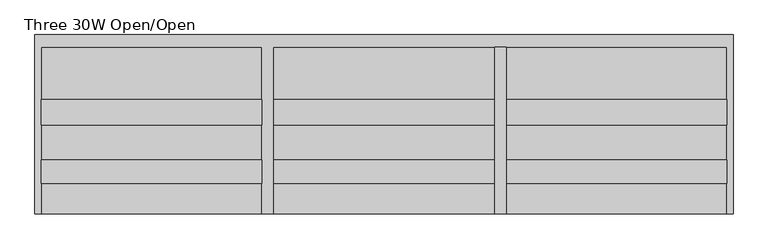
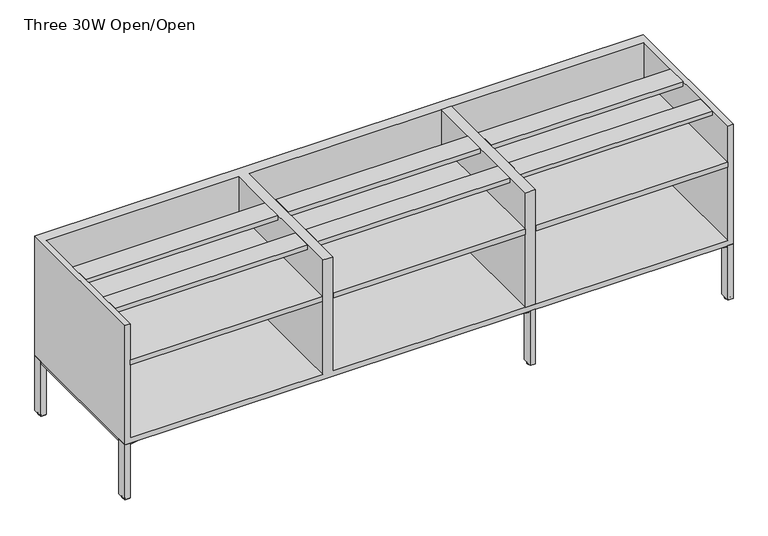
"""IFC4 building model written with IfcOpenShell, lengths in millimetres: furniture geometry, Three 30W Open/Open."""

from ifc_helpers import new_model, si_unit, point, frame, origin, place, context, project, spatial, polyline, circle_curve, ellipse_curve, trimmed, outline, extrude, faceted_brep, source, transform, mapped, element, save
from ifc_brep_helpers import plane_surface, cylinder_surface, revolved_surface, advanced_brep


def three_30w_open_open_3fbe948b(model_context):
    return source(origin(), model_context, "Body", "SolidModel", [
        advanced_brep(
        [(1516.3012235, 47.7027937, 0.0), (1516.3012235, 32.4345574, 0.0), (1516.3012235, 40.0686756, 0.0), (1516.3012235, 49.9748538, 2.2720601), (1516.3012235, 30.1624973, 2.2720601), (1516.3012235, 49.9748538, 3.8099903), (1516.3012235, 30.1624973, 3.8099903), (1516.3012235, 40.0686756, 3.8099903)],
        [
            (0, 1, circle_curve(frame((1516.3012235, 40.0686756, 0.0), z_axis=(0.0, 0.0, -1.0), x_axis=(0.0, -1.0, 0.0)), 7.6341181)),
            (1, 2),
            (2, 0),
            (1, 0, circle_curve(frame((1516.3012235, 40.0686756, 0.0), z_axis=(0.0, 0.0, -1.0), x_axis=(0.0, -1.0, 0.0)), 7.6341181)),
            (3, 4, circle_curve(frame((1516.3012235, 40.0686756, 2.2720601), z_axis=(0.0, 0.0, -1.0), x_axis=(0.0, -1.0, 0.0)), 9.9061783)),
            (4, 1, circle_curve(frame((1516.3012235, 32.4345574, 2.2720601), z_axis=(1.0, 0.0, 0.0), x_axis=(0.0, 1.0, 0.0)), 2.2720601)),
            (0, 3, circle_curve(frame((1516.3012235, 47.7027937, 2.2720601), z_axis=(1.0, 0.0, 0.0), x_axis=(0.0, -1.0, 0.0)), 2.2720601)),
            (4, 3, circle_curve(frame((1516.3012235, 40.0686756, 2.2720601), z_axis=(0.0, 0.0, -1.0), x_axis=(0.0, -1.0, 0.0)), 9.9061783)),
            (5, 6, circle_curve(frame((1516.3012235, 40.0686756, 3.8099903), z_axis=(0.0, 0.0, -1.0), x_axis=(0.0, -1.0, 0.0)), 9.9061783)),
            (6, 4),
            (3, 5),
            (6, 5, circle_curve(frame((1516.3012235, 40.0686756, 3.8099903), z_axis=(0.0, 0.0, -1.0), x_axis=(0.0, -1.0, 0.0)), 9.9061783)),
            (7, 6),
            (5, 7),
        ],
        [
            plane_surface(frame((1516.3012235, 40.0686756, 0.0), z_axis=(0.0, 0.0, -1.0), x_axis=(0.0, -1.0, 0.0))),
            revolved_surface(trimmed(ellipse_curve(frame((1516.3012235, 32.4345574, 2.2720601), z_axis=(-1.0, 0.0, 0.0), x_axis=(0.0, 1.0, 0.0)), 2.2720601, 2.2720601), [point((1516.3012235, 32.4345574, 0.0))], [point((1516.3012235, 30.1624973, 2.2720601))], True, "CARTESIAN"), (1516.3012235, 40.0686756, 7.1227407), (0.0, 0.0, 1.0)),
            cylinder_surface(frame((1516.3012235, 40.0686756, 7.1227407), z_axis=(0.0, 0.0, 1.0), x_axis=(0.0, -1.0, 0.0)), 9.9061783),
            plane_surface(frame((1516.3012235, 40.0686756, 3.8099903), z_axis=(0.0, 0.0, 1.0), x_axis=(0.0, -1.0, 0.0))),
        ],
        [
            (0, [[1, 2, 3]]),
            (0, [[4, -3, -2]]),
            (1, [[5, 6, -1, 7]]),
            (1, [[8, -7, -4, -6]]),
            (2, [[9, 10, -5, 11]]),
            (2, [[12, -11, -8, -10]]),
            (3, [[13, -9, 14]]),
            (3, [[-14, -12, -13]]),
        ],
    ),
        extrude(outline(polyline([(1508.1085671, 22.0247188), (1508.1085671, 58.1123416), (1524.3645213, 58.1123416), (1524.3645213, 22.0247188), (1508.1085671, 22.0247188)]), holes=[polyline([(1509.3785598, 23.2946994), (1523.0945225, 23.2946994), (1523.0945225, 56.842361), (1509.3785598, 56.842361), (1509.3785598, 23.2946994)])]), frame((0.0, 0.0, 3.8099903), z_axis=(0.0, 0.0, 1.0), x_axis=(1.0, 0.0, 0.0)), (0.0, 0.0, 1.0), 1.5750008),
        extrude(outline(polyline([(1420.1940587, 43.672924), (1422.623104, 56.1692787), (1388.4910372, 62.8038804), (1388.4910372, 156.9726182), (1523.8371748, 140.3902326), (1523.8371748, 59.8805477), (1506.4067209, 59.8805477), (1506.4067209, 26.9148801), (1420.1940587, 43.672924)])), frame((0.0, 0.0, 211.9174185), z_axis=(0.0, 0.0, 1.0), x_axis=(1.0, 0.0, 0.0)), (0.0, 0.0, 1.0), 10.7575071),
        extrude(outline(polyline([(1506.4067209, 20.2565128), (1506.4067209, 59.8805477), (1526.2230985, 59.8805477), (1526.2230985, 20.2565128), (1506.4067209, 20.2565128)])), frame((0.0, 0.0, 5.3850274), z_axis=(0.0, 0.0, 1.0), x_axis=(1.0, 0.0, 0.0)), (0.0, 0.0, 1.0), 217.2898982),
        advanced_brep(
        [(1516.3012235, 579.37554, 0.0), (1516.3012235, 587.0096581, 0.0), (1516.3012235, 594.6437763, 0.0), (1516.3012235, 577.1034799, 2.2720601), (1516.3012235, 596.9158364, 2.2720601), (1516.3012235, 577.1034799, 3.8099903), (1516.3012235, 596.9158364, 3.8099903), (1516.3012235, 587.0096581, 3.8099903)],
        [
            (0, 1),
            (1, 2),
            (2, 0, circle_curve(frame((1516.3012235, 587.0096581, 0.0), z_axis=(0.0, 0.0, -1.0), x_axis=(0.0, 1.0, 0.0)), 7.6341181)),
            (0, 2, circle_curve(frame((1516.3012235, 587.0096581, 0.0), z_axis=(0.0, 0.0, -1.0), x_axis=(0.0, 1.0, 0.0)), 7.6341181)),
            (3, 0, circle_curve(frame((1516.3012235, 579.37554, 2.2720601), z_axis=(1.0, 0.0, 0.0), x_axis=(0.0, 1.0, 0.0)), 2.2720601)),
            (2, 4, circle_curve(frame((1516.3012235, 594.6437763, 2.2720601), z_axis=(1.0, 0.0, 0.0), x_axis=(0.0, -1.0, 0.0)), 2.2720601)),
            (4, 3, circle_curve(frame((1516.3012235, 587.0096581, 2.2720601), z_axis=(0.0, 0.0, -1.0), x_axis=(0.0, 1.0, 0.0)), 9.9061783)),
            (3, 4, circle_curve(frame((1516.3012235, 587.0096581, 2.2720601), z_axis=(0.0, 0.0, -1.0), x_axis=(0.0, 1.0, 0.0)), 9.9061783)),
            (5, 3),
            (4, 6),
            (6, 5, circle_curve(frame((1516.3012235, 587.0096581, 3.8099903), z_axis=(0.0, 0.0, -1.0), x_axis=(0.0, 1.0, 0.0)), 9.9061783)),
            (5, 6, circle_curve(frame((1516.3012235, 587.0096581, 3.8099903), z_axis=(0.0, 0.0, -1.0), x_axis=(0.0, 1.0, 0.0)), 9.9061783)),
            (7, 5),
            (6, 7),
        ],
        [
            plane_surface(frame((1516.3012235, 587.0096581, 0.0), z_axis=(0.0, 0.0, -1.0), x_axis=(0.0, 1.0, 0.0))),
            revolved_surface(trimmed(ellipse_curve(frame((1516.3012235, 594.6437763, 2.2720601), z_axis=(1.0, 0.0, 0.0), x_axis=(0.0, -1.0, 0.0)), 2.2720601, 2.2720601), [point((1516.3012235, 594.6437763, 0.0))], [point((1516.3012235, 596.9158364, 2.2720601))], True, "CARTESIAN"), (1516.3012235, 587.0096581, 7.1227407), (0.0, 0.0, 1.0)),
            cylinder_surface(frame((1516.3012235, 587.0096581, 7.1227407), z_axis=(0.0, 0.0, 1.0), x_axis=(0.0, 1.0, 0.0)), 9.9061783),
            plane_surface(frame((1516.3012235, 587.0096581, 3.8099903), z_axis=(0.0, 0.0, 1.0), x_axis=(0.0, 1.0, 0.0))),
        ],
        [
            (0, [[1, 2, 3]]),
            (0, [[-2, -1, 4]]),
            (1, [[5, -3, 6, 7]]),
            (1, [[-6, -4, -5, 8]]),
            (2, [[9, -7, 10, 11]]),
            (2, [[-10, -8, -9, 12]]),
            (3, [[13, -11, 14]]),
            (3, [[-14, -12, -13]]),
        ],
    ),
        extrude(outline(polyline([(1508.1085671, 605.0536149), (1524.3645213, 605.0536149), (1524.3645213, 568.9659921), (1508.1085671, 568.9659921), (1508.1085671, 605.0536149)]), holes=[polyline([(1509.3785598, 603.7836343), (1509.3785598, 570.2359727), (1523.0945225, 570.2359727), (1523.0945225, 603.7836343), (1509.3785598, 603.7836343)])]), frame((0.0, 0.0, 3.8099903), z_axis=(0.0, 0.0, 1.0), x_axis=(1.0, 0.0, 0.0)), (0.0, 0.0, 1.0), 1.5750008),
        extrude(outline(polyline([(1420.1940587, 583.4054097), (1506.4067209, 600.1634536), (1506.4067209, 567.197786), (1523.8371748, 567.197786), (1523.8371748, 486.6881011), (1388.4910372, 470.1057155), (1388.4910372, 564.2744533), (1422.623104, 570.909055), (1420.1940587, 583.4054097)])), frame((0.0, 0.0, 211.9174185), z_axis=(0.0, 0.0, 1.0), x_axis=(1.0, 0.0, 0.0)), (0.0, 0.0, 1.0), 10.7575071),
        extrude(outline(polyline([(1506.4067209, 606.8218209), (1526.2230985, 606.8218209), (1526.2230985, 567.197786), (1506.4067209, 567.197786), (1506.4067209, 606.8218209)])), frame((0.0, 0.0, 5.3850274), z_axis=(0.0, 0.0, 1.0), x_axis=(1.0, 0.0, 0.0)), (0.0, 0.0, 1.0), 217.2898982),
        extrude(outline(polyline([(2249.4879219, 566.5293675), (2249.4879219, 20.2565128), (1527.7255589, 20.2565128), (1527.7255589, 566.5293675), (2249.4879219, 566.5293675)])), frame((0.0, 0.0, 533.8249256), z_axis=(0.0, 0.0, 1.0), x_axis=(1.0, 0.0, 0.0)), (0.0, 0.0, 1.0), 20.4326556),
        extrude(outline(polyline([(2249.4879219, 393.7476878), (2249.4879219, 311.6469094), (1527.7255589, 311.6469094), (1527.7255589, 393.7476878), (2249.4879219, 393.7476878)])), frame((0.0, 0.0, 680.533461), z_axis=(0.0, 0.0, 1.0), x_axis=(1.0, 0.0, 0.0)), (0.0, 0.0, 1.0), 17.4584819),
        extrude(outline(polyline([(2249.4879219, 196.8653932), (2249.4879219, 119.6379172), (1527.7255589, 119.6379172), (1527.7255589, 196.8653932), (2249.4879219, 196.8653932)])), frame((0.0, 0.0, 680.533461), z_axis=(0.0, 0.0, 1.0), x_axis=(1.0, 0.0, 0.0)), (0.0, 0.0, 1.0), 17.4584819),
        extrude(outline(polyline([(1487.4879219, 566.5293675), (1487.4879219, 20.2565128), (765.7255589, 20.2565128), (765.7255589, 566.5293675), (1487.4879219, 566.5293675)])), frame((0.0, 0.0, 533.8249256), z_axis=(0.0, 0.0, 1.0), x_axis=(1.0, 0.0, 0.0)), (0.0, 0.0, 1.0), 20.4326556),
        extrude(outline(polyline([(1487.4879219, 393.7476878), (1487.4879219, 311.6469094), (765.7255589, 311.6469094), (765.7255589, 393.7476878), (1487.4879219, 393.7476878)])), frame((0.0, 0.0, 680.533461), z_axis=(0.0, 0.0, 1.0), x_axis=(1.0, 0.0, 0.0)), (0.0, 0.0, 1.0), 17.4584819),
        extrude(outline(polyline([(1487.4879219, 196.8653932), (1487.4879219, 119.6379172), (765.7255589, 119.6379172), (765.7255589, 196.8653932), (1487.4879219, 196.8653932)])), frame((0.0, 0.0, 680.533461), z_axis=(0.0, 0.0, 1.0), x_axis=(1.0, 0.0, 0.0)), (0.0, 0.0, 1.0), 17.4584819),
        extrude(outline(polyline([(725.4879219, 566.5293675), (725.4879219, 20.2565128), (3.7255589, 20.2565128), (3.7255589, 566.5293675), (725.4879219, 566.5293675)])), frame((0.0, 0.0, 533.8249256), z_axis=(0.0, 0.0, 1.0), x_axis=(1.0, 0.0, 0.0)), (0.0, 0.0, 1.0), 20.4326556),
        extrude(outline(polyline([(725.4879219, 393.7476878), (725.4879219, 311.6469094), (3.7255589, 311.6469094), (3.7255589, 393.7476878), (725.4879219, 393.7476878)])), frame((0.0, 0.0, 680.533461), z_axis=(0.0, 0.0, 1.0), x_axis=(1.0, 0.0, 0.0)), (0.0, 0.0, 1.0), 17.4584819),
        extrude(outline(polyline([(725.4879219, 196.8653932), (725.4879219, 119.6379172), (3.7255589, 119.6379172), (3.7255589, 196.8653932), (725.4879219, 196.8653932)])), frame((0.0, 0.0, 680.533461), z_axis=(0.0, 0.0, 1.0), x_axis=(1.0, 0.0, 0.0)), (0.0, 0.0, 1.0), 17.4584819),
        advanced_brep(
        [(2259.6320469, 47.7027937, 0.0), (2259.6320469, 32.4345574, 0.0), (2259.6320469, 40.0686756, 0.0), (2259.6320469, 49.9748538, 2.2720601), (2259.6320469, 30.1624973, 2.2720601), (2259.6320469, 49.9748538, 3.8099903), (2259.6320469, 30.1624973, 3.8099903), (2259.6320469, 40.0686756, 3.8099903)],
        [
            (0, 1, circle_curve(frame((2259.6320469, 40.0686756, 0.0), z_axis=(0.0, 0.0, -1.0), x_axis=(0.0, -1.0, 0.0)), 7.6341181)),
            (1, 2),
            (2, 0),
            (1, 0, circle_curve(frame((2259.6320469, 40.0686756, 0.0), z_axis=(0.0, 0.0, -1.0), x_axis=(0.0, -1.0, 0.0)), 7.6341181)),
            (3, 4, circle_curve(frame((2259.6320469, 40.0686756, 2.2720601), z_axis=(0.0, 0.0, -1.0), x_axis=(0.0, -1.0, 0.0)), 9.9061783)),
            (4, 1, circle_curve(frame((2259.6320469, 32.4345574, 2.2720601), z_axis=(1.0, 0.0, 0.0), x_axis=(0.0, 1.0, 0.0)), 2.2720601)),
            (0, 3, circle_curve(frame((2259.6320469, 47.7027937, 2.2720601), z_axis=(1.0, 0.0, 0.0), x_axis=(0.0, -1.0, 0.0)), 2.2720601)),
            (4, 3, circle_curve(frame((2259.6320469, 40.0686756, 2.2720601), z_axis=(0.0, 0.0, -1.0), x_axis=(0.0, -1.0, 0.0)), 9.9061783)),
            (5, 6, circle_curve(frame((2259.6320469, 40.0686756, 3.8099903), z_axis=(0.0, 0.0, -1.0), x_axis=(0.0, -1.0, 0.0)), 9.9061783)),
            (6, 4),
            (3, 5),
            (6, 5, circle_curve(frame((2259.6320469, 40.0686756, 3.8099903), z_axis=(0.0, 0.0, -1.0), x_axis=(0.0, -1.0, 0.0)), 9.9061783)),
            (7, 6),
            (5, 7),
        ],
        [
            plane_surface(frame((2259.6320469, 40.0686756, 0.0), z_axis=(0.0, 0.0, -1.0), x_axis=(0.0, -1.0, 0.0))),
            revolved_surface(trimmed(ellipse_curve(frame((2259.6320469, 32.4345574, 2.2720601), z_axis=(-1.0, 0.0, 0.0), x_axis=(0.0, 1.0, 0.0)), 2.2720601, 2.2720601), [point((2259.6320469, 32.4345574, 0.0))], [point((2259.6320469, 30.1624973, 2.2720601))], True, "CARTESIAN"), (2259.6320469, 40.0686756, 7.1227407), (0.0, 0.0, 1.0)),
            cylinder_surface(frame((2259.6320469, 40.0686756, 7.1227407), z_axis=(0.0, 0.0, 1.0), x_axis=(0.0, -1.0, 0.0)), 9.9061783),
            plane_surface(frame((2259.6320469, 40.0686756, 3.8099903), z_axis=(0.0, 0.0, 1.0), x_axis=(0.0, -1.0, 0.0))),
        ],
        [
            (0, [[1, 2, 3]]),
            (0, [[4, -3, -2]]),
            (1, [[5, 6, -1, 7]]),
            (1, [[8, -7, -4, -6]]),
            (2, [[9, 10, -5, 11]]),
            (2, [[12, -11, -8, -10]]),
            (3, [[13, -9, 14]]),
            (3, [[-14, -12, -13]]),
        ],
    ),
        extrude(outline(polyline([(2251.4393905, 22.0247188), (2251.4393905, 58.1123416), (2267.6953447, 58.1123416), (2267.6953447, 22.0247188), (2251.4393905, 22.0247188)]), holes=[polyline([(2252.7093832, 23.2946994), (2266.4253459, 23.2946994), (2266.4253459, 56.842361), (2252.7093832, 56.842361), (2252.7093832, 23.2946994)])]), frame((0.0, 0.0, 3.8099903), z_axis=(0.0, 0.0, 1.0), x_axis=(1.0, 0.0, 0.0)), (0.0, 0.0, 1.0), 1.5750008),
        extrude(outline(polyline([(2163.5248821, 43.672924), (2165.9539274, 56.1692787), (2131.8218606, 62.8038804), (2131.8218606, 156.9726182), (2267.1679982, 140.3902326), (2267.1679982, 59.8805477), (2249.7375443, 59.8805477), (2249.7375443, 26.9148801), (2163.5248821, 43.672924)])), frame((0.0, 0.0, 211.9174185), z_axis=(0.0, 0.0, 1.0), x_axis=(1.0, 0.0, 0.0)), (0.0, 0.0, 1.0), 10.7575071),
        extrude(outline(polyline([(2249.7375443, 20.2565128), (2249.7375443, 59.8805477), (2269.5539219, 59.8805477), (2269.5539219, 20.2565128), (2249.7375443, 20.2565128)])), frame((0.0, 0.0, 5.3850274), z_axis=(0.0, 0.0, 1.0), x_axis=(1.0, 0.0, 0.0)), (0.0, 0.0, 1.0), 217.2898982),
        advanced_brep(
        [(-6.5242031, 47.7027937, 0.0), (-6.5242031, 40.0686756, 0.0), (-6.5242031, 32.4345574, 0.0), (-6.5242031, 49.9748538, 2.2720601), (-6.5242031, 30.1624973, 2.2720601), (-6.5242031, 49.9748538, 3.8099903), (-6.5242031, 30.1624973, 3.8099903), (-6.5242031, 40.0686756, 3.8099903)],
        [
            (0, 1),
            (1, 2),
            (2, 0, circle_curve(frame((-6.5242031, 40.0686756, 0.0), z_axis=(0.0, 0.0, -1.0), x_axis=(0.0, -1.0, 0.0)), 7.6341181)),
            (0, 2, circle_curve(frame((-6.5242031, 40.0686756, 0.0), z_axis=(0.0, 0.0, -1.0), x_axis=(0.0, -1.0, 0.0)), 7.6341181)),
            (3, 0, circle_curve(frame((-6.5242031, 47.7027937, 2.2720601), z_axis=(-1.0, 0.0, 0.0), x_axis=(0.0, -1.0, 0.0)), 2.2720601)),
            (2, 4, circle_curve(frame((-6.5242031, 32.4345574, 2.2720601), z_axis=(-1.0, 0.0, 0.0), x_axis=(0.0, 1.0, 0.0)), 2.2720601)),
            (4, 3, circle_curve(frame((-6.5242031, 40.0686756, 2.2720601), z_axis=(0.0, 0.0, -1.0), x_axis=(0.0, -1.0, 0.0)), 9.9061783)),
            (3, 4, circle_curve(frame((-6.5242031, 40.0686756, 2.2720601), z_axis=(0.0, 0.0, -1.0), x_axis=(0.0, -1.0, 0.0)), 9.9061783)),
            (5, 3),
            (4, 6),
            (6, 5, circle_curve(frame((-6.5242031, 40.0686756, 3.8099903), z_axis=(0.0, 0.0, -1.0), x_axis=(0.0, -1.0, 0.0)), 9.9061783)),
            (5, 6, circle_curve(frame((-6.5242031, 40.0686756, 3.8099903), z_axis=(0.0, 0.0, -1.0), x_axis=(0.0, -1.0, 0.0)), 9.9061783)),
            (7, 5),
            (6, 7),
        ],
        [
            plane_surface(frame((-6.5242031, 40.0686756, 0.0), z_axis=(0.0, 0.0, -1.0), x_axis=(0.0, -1.0, 0.0))),
            revolved_surface(trimmed(ellipse_curve(frame((-6.5242031, 32.4345574, 2.2720601), z_axis=(-1.0, 0.0, 0.0), x_axis=(0.0, 1.0, 0.0)), 2.2720601, 2.2720601), [point((-6.5242031, 32.4345574, 0.0))], [point((-6.5242031, 30.1624973, 2.2720601))], True, "CARTESIAN"), (-6.5242031, 40.0686756, 7.1227407), (0.0, 0.0, 1.0)),
            cylinder_surface(frame((-6.5242031, 40.0686756, 7.1227407), z_axis=(0.0, 0.0, 1.0), x_axis=(0.0, -1.0, 0.0)), 9.9061783),
            plane_surface(frame((-6.5242031, 40.0686756, 3.8099903), z_axis=(0.0, 0.0, 1.0), x_axis=(0.0, -1.0, 0.0))),
        ],
        [
            (0, [[1, 2, 3]]),
            (0, [[-2, -1, 4]]),
            (1, [[5, -3, 6, 7]]),
            (1, [[-6, -4, -5, 8]]),
            (2, [[9, -7, 10, 11]]),
            (2, [[-10, -8, -9, 12]]),
            (3, [[13, -11, 14]]),
            (3, [[-14, -12, -13]]),
        ],
    ),
        extrude(outline(polyline([(1.6684533, 22.0247188), (-14.5875009, 22.0247188), (-14.5875009, 58.1123416), (1.6684533, 58.1123416), (1.6684533, 22.0247188)]), holes=[polyline([(0.3984606, 23.2946994), (0.3984606, 56.842361), (-13.3175021, 56.842361), (-13.3175021, 23.2946994), (0.3984606, 23.2946994)])]), frame((0.0, 0.0, 3.8099903), z_axis=(0.0, 0.0, 1.0), x_axis=(1.0, 0.0, 0.0)), (0.0, 0.0, 1.0), 1.5750008),
        extrude(outline(polyline([(89.5829617, 43.672924), (3.3702996, 26.9148801), (3.3702996, 59.8805477), (-14.0601544, 59.8805477), (-14.0601544, 140.3902326), (121.2859833, 156.9726182), (121.2859833, 62.8038804), (87.1539164, 56.1692787), (89.5829617, 43.672924)])), frame((0.0, 0.0, 211.9174185), z_axis=(0.0, 0.0, 1.0), x_axis=(1.0, 0.0, 0.0)), (0.0, 0.0, 1.0), 10.7575071),
        extrude(outline(polyline([(3.3702996, 20.2565128), (-16.4460781, 20.2565128), (-16.4460781, 59.8805477), (3.3702996, 59.8805477), (3.3702996, 20.2565128)])), frame((0.0, 0.0, 5.3850274), z_axis=(0.0, 0.0, 1.0), x_axis=(1.0, 0.0, 0.0)), (0.0, 0.0, 1.0), 217.2898982),
        advanced_brep(
        [(2259.6320469, 579.37554, 0.0), (2259.6320469, 587.0096581, 0.0), (2259.6320469, 594.6437763, 0.0), (2259.6320469, 577.1034799, 2.2720601), (2259.6320469, 596.9158364, 2.2720601), (2259.6320469, 577.1034799, 3.8099903), (2259.6320469, 596.9158364, 3.8099903), (2259.6320469, 587.0096581, 3.8099903)],
        [
            (0, 1),
            (1, 2),
            (2, 0, circle_curve(frame((2259.6320469, 587.0096581, 0.0), z_axis=(0.0, 0.0, -1.0), x_axis=(0.0, 1.0, 0.0)), 7.6341181)),
            (0, 2, circle_curve(frame((2259.6320469, 587.0096581, 0.0), z_axis=(0.0, 0.0, -1.0), x_axis=(0.0, 1.0, 0.0)), 7.6341181)),
            (3, 0, circle_curve(frame((2259.6320469, 579.37554, 2.2720601), z_axis=(1.0, 0.0, 0.0), x_axis=(0.0, 1.0, 0.0)), 2.2720601)),
            (2, 4, circle_curve(frame((2259.6320469, 594.6437763, 2.2720601), z_axis=(1.0, 0.0, 0.0), x_axis=(0.0, -1.0, 0.0)), 2.2720601)),
            (4, 3, circle_curve(frame((2259.6320469, 587.0096581, 2.2720601), z_axis=(0.0, 0.0, -1.0), x_axis=(0.0, 1.0, 0.0)), 9.9061783)),
            (3, 4, circle_curve(frame((2259.6320469, 587.0096581, 2.2720601), z_axis=(0.0, 0.0, -1.0), x_axis=(0.0, 1.0, 0.0)), 9.9061783)),
            (5, 3),
            (4, 6),
            (6, 5, circle_curve(frame((2259.6320469, 587.0096581, 3.8099903), z_axis=(0.0, 0.0, -1.0), x_axis=(0.0, 1.0, 0.0)), 9.9061783)),
            (5, 6, circle_curve(frame((2259.6320469, 587.0096581, 3.8099903), z_axis=(0.0, 0.0, -1.0), x_axis=(0.0, 1.0, 0.0)), 9.9061783)),
            (7, 5),
            (6, 7),
        ],
        [
            plane_surface(frame((2259.6320469, 587.0096581, 0.0), z_axis=(0.0, 0.0, -1.0), x_axis=(0.0, 1.0, 0.0))),
            revolved_surface(trimmed(ellipse_curve(frame((2259.6320469, 594.6437763, 2.2720601), z_axis=(1.0, 0.0, 0.0), x_axis=(0.0, -1.0, 0.0)), 2.2720601, 2.2720601), [point((2259.6320469, 594.6437763, 0.0))], [point((2259.6320469, 596.9158364, 2.2720601))], True, "CARTESIAN"), (2259.6320469, 587.0096581, 7.1227407), (0.0, 0.0, 1.0)),
            cylinder_surface(frame((2259.6320469, 587.0096581, 7.1227407), z_axis=(0.0, 0.0, 1.0), x_axis=(0.0, 1.0, 0.0)), 9.9061783),
            plane_surface(frame((2259.6320469, 587.0096581, 3.8099903), z_axis=(0.0, 0.0, 1.0), x_axis=(0.0, 1.0, 0.0))),
        ],
        [
            (0, [[1, 2, 3]]),
            (0, [[-2, -1, 4]]),
            (1, [[5, -3, 6, 7]]),
            (1, [[-6, -4, -5, 8]]),
            (2, [[9, -7, 10, 11]]),
            (2, [[-10, -8, -9, 12]]),
            (3, [[13, -11, 14]]),
            (3, [[-14, -12, -13]]),
        ],
    ),
        extrude(outline(polyline([(2251.4393905, 605.0536149), (2267.6953447, 605.0536149), (2267.6953447, 568.9659921), (2251.4393905, 568.9659921), (2251.4393905, 605.0536149)]), holes=[polyline([(2252.7093832, 603.7836343), (2252.7093832, 570.2359727), (2266.4253459, 570.2359727), (2266.4253459, 603.7836343), (2252.7093832, 603.7836343)])]), frame((0.0, 0.0, 3.8099903), z_axis=(0.0, 0.0, 1.0), x_axis=(1.0, 0.0, 0.0)), (0.0, 0.0, 1.0), 1.5750008),
        extrude(outline(polyline([(2163.5248821, 583.4054097), (2249.7375443, 600.1634536), (2249.7375443, 567.197786), (2267.1679982, 567.197786), (2267.1679982, 486.6881011), (2131.8218606, 470.1057155), (2131.8218606, 564.2744533), (2165.9539274, 570.909055), (2163.5248821, 583.4054097)])), frame((0.0, 0.0, 211.9174185), z_axis=(0.0, 0.0, 1.0), x_axis=(1.0, 0.0, 0.0)), (0.0, 0.0, 1.0), 10.7575071),
        extrude(outline(polyline([(2249.7375443, 606.8218209), (2269.5539219, 606.8218209), (2269.5539219, 567.197786), (2249.7375443, 567.197786), (2249.7375443, 606.8218209)])), frame((0.0, 0.0, 5.3850274), z_axis=(0.0, 0.0, 1.0), x_axis=(1.0, 0.0, 0.0)), (0.0, 0.0, 1.0), 217.2898982),
        advanced_brep(
        [(-6.5242031, 579.37554, 0.0), (-6.5242031, 594.6437763, 0.0), (-6.5242031, 587.0096581, 0.0), (-6.5242031, 577.1034799, 2.2720601), (-6.5242031, 596.9158364, 2.2720601), (-6.5242031, 577.1034799, 3.8099903), (-6.5242031, 596.9158364, 3.8099903), (-6.5242031, 587.0096581, 3.8099903)],
        [
            (0, 1, circle_curve(frame((-6.5242031, 587.0096581, 0.0), z_axis=(0.0, 0.0, -1.0), x_axis=(0.0, 1.0, 0.0)), 7.6341181)),
            (1, 2),
            (2, 0),
            (1, 0, circle_curve(frame((-6.5242031, 587.0096581, 0.0), z_axis=(0.0, 0.0, -1.0), x_axis=(0.0, 1.0, 0.0)), 7.6341181)),
            (3, 4, circle_curve(frame((-6.5242031, 587.0096581, 2.2720601), z_axis=(0.0, 0.0, -1.0), x_axis=(0.0, 1.0, 0.0)), 9.9061783)),
            (4, 1, circle_curve(frame((-6.5242031, 594.6437763, 2.2720601), z_axis=(-1.0, 0.0, 0.0), x_axis=(0.0, -1.0, 0.0)), 2.2720601)),
            (0, 3, circle_curve(frame((-6.5242031, 579.37554, 2.2720601), z_axis=(-1.0, 0.0, 0.0), x_axis=(0.0, 1.0, 0.0)), 2.2720601)),
            (4, 3, circle_curve(frame((-6.5242031, 587.0096581, 2.2720601), z_axis=(0.0, 0.0, -1.0), x_axis=(0.0, 1.0, 0.0)), 9.9061783)),
            (5, 6, circle_curve(frame((-6.5242031, 587.0096581, 3.8099903), z_axis=(0.0, 0.0, -1.0), x_axis=(0.0, 1.0, 0.0)), 9.9061783)),
            (6, 4),
            (3, 5),
            (6, 5, circle_curve(frame((-6.5242031, 587.0096581, 3.8099903), z_axis=(0.0, 0.0, -1.0), x_axis=(0.0, 1.0, 0.0)), 9.9061783)),
            (7, 6),
            (5, 7),
        ],
        [
            plane_surface(frame((-6.5242031, 587.0096581, 0.0), z_axis=(0.0, 0.0, -1.0), x_axis=(0.0, 1.0, 0.0))),
            revolved_surface(trimmed(ellipse_curve(frame((-6.5242031, 594.6437763, 2.2720601), z_axis=(1.0, 0.0, 0.0), x_axis=(0.0, -1.0, 0.0)), 2.2720601, 2.2720601), [point((-6.5242031, 594.6437763, 0.0))], [point((-6.5242031, 596.9158364, 2.2720601))], True, "CARTESIAN"), (-6.5242031, 587.0096581, 7.1227407), (0.0, 0.0, 1.0)),
            cylinder_surface(frame((-6.5242031, 587.0096581, 7.1227407), z_axis=(0.0, 0.0, 1.0), x_axis=(0.0, 1.0, 0.0)), 9.9061783),
            plane_surface(frame((-6.5242031, 587.0096581, 3.8099903), z_axis=(0.0, 0.0, 1.0), x_axis=(0.0, 1.0, 0.0))),
        ],
        [
            (0, [[1, 2, 3]]),
            (0, [[4, -3, -2]]),
            (1, [[5, 6, -1, 7]]),
            (1, [[8, -7, -4, -6]]),
            (2, [[9, 10, -5, 11]]),
            (2, [[12, -11, -8, -10]]),
            (3, [[13, -9, 14]]),
            (3, [[-14, -12, -13]]),
        ],
    ),
        extrude(outline(polyline([(1.6684533, 605.0536149), (1.6684533, 568.9659921), (-14.5875009, 568.9659921), (-14.5875009, 605.0536149), (1.6684533, 605.0536149)]), holes=[polyline([(0.3984606, 603.7836343), (-13.3175021, 603.7836343), (-13.3175021, 570.2359727), (0.3984606, 570.2359727), (0.3984606, 603.7836343)])]), frame((0.0, 0.0, 3.8099903), z_axis=(0.0, 0.0, 1.0), x_axis=(1.0, 0.0, 0.0)), (0.0, 0.0, 1.0), 1.5750008),
        extrude(outline(polyline([(89.5829617, 583.4054097), (87.1539164, 570.909055), (121.2859833, 564.2744533), (121.2859833, 470.1057155), (-14.0601544, 486.6881011), (-14.0601544, 567.197786), (3.3702996, 567.197786), (3.3702996, 600.1634536), (89.5829617, 583.4054097)])), frame((0.0, 0.0, 211.9174185), z_axis=(0.0, 0.0, 1.0), x_axis=(1.0, 0.0, 0.0)), (0.0, 0.0, 1.0), 10.7575071),
        extrude(outline(polyline([(3.3702996, 606.8218209), (3.3702996, 567.197786), (-16.4460781, 567.197786), (-16.4460781, 606.8218209), (3.3702996, 606.8218209)])), frame((0.0, 0.0, 5.3850274), z_axis=(0.0, 0.0, 1.0), x_axis=(1.0, 0.0, 0.0)), (0.0, 0.0, 1.0), 217.2898982),
        extrude(outline(polyline([(1526.2230985, 567.197786), (1526.2230985, 20.2565128), (1488.8847453, 20.2565128), (1488.8847453, 567.197786), (1526.2230985, 567.197786)])), frame((0.0, 0.0, 243.1075813), z_axis=(0.0, 0.0, 1.0), x_axis=(1.0, 0.0, 0.0)), (0.0, 0.0, 1.0), 454.8843617),
        advanced_brep(
        [(3.7255589, 269.3366351, 222.6749256), (3.7255589, 282.0364733, 222.6749256), (3.7255589, 282.0364733, 220.7765676), (3.7255589, 271.2413551, 220.7765676), (3.7255589, 271.2413551, 207.8944653), (3.7255589, 269.3366351, 207.8944653), (3.7255589, 221.0974219, 220.7765676), (3.7255589, 210.3023929, 220.7765676), (3.7255589, 210.3023929, 222.6749256), (3.7255589, 223.0026889, 222.6749256), (3.7255589, 223.0026889, 207.8944653), (3.7255589, 221.0974219, 207.8944653), (1487.3395589, 223.0026889, 222.6749256), (1487.3395589, 210.3023929, 222.6749256), (1487.3395589, 210.3023929, 220.7765676), (1487.3395589, 221.0974219, 220.7765676), (1487.3395589, 221.0974219, 207.8944653), (1487.3395589, 223.0026889, 207.8944653), (1487.3395589, 271.2413551, 220.7765676), (1487.3395589, 282.0364733, 220.7765676), (1487.3395589, 282.0364733, 222.6749256), (1487.3395589, 269.3366351, 222.6749256), (1487.3395589, 269.3366351, 207.8944653), (1487.3395589, 271.2413551, 207.8944653), (1382.9655072, 271.2413551, 173.9810321), (108.0996105, 271.2413551, 173.9810321), (1382.367131, 271.232332, 173.7866064), (1382.367131, 269.142135, 171.881812), (108.6979867, 269.142135, 171.881812), (108.6979867, 271.232332, 173.7866064), (1382.367131, 223.4287418, 171.881812), (108.6979867, 223.4287418, 171.881812), (1382.367131, 221.1367714, 173.7866064), (1383.6798315, 221.0974219, 174.2131318), (107.3852862, 221.0974219, 174.2131318), (108.6979867, 221.1367714, 173.7866064), (1382.367131, 223.0026889, 173.7866064), (108.6979867, 223.0026889, 173.7866064), (1382.367131, 269.3366351, 173.7866064), (108.6979867, 269.3366351, 173.7866064)],
        [
            (0, 1),
            (1, 2),
            (2, 3),
            (3, 4),
            (4, 5),
            (5, 0),
            (6, 7),
            (7, 8),
            (8, 9),
            (9, 10),
            (10, 11),
            (11, 6),
            (12, 13),
            (13, 14),
            (14, 15),
            (15, 16),
            (16, 17),
            (17, 12),
            (18, 19),
            (19, 20),
            (20, 21),
            (21, 22),
            (22, 23),
            (23, 18),
            (0, 21),
            (20, 1),
            (19, 2),
            (18, 3),
            (23, 24),
            (24, 25),
            (25, 4),
            (24, 26, ellipse_curve(frame((1382.9655072, 269.142135, 173.9810321), z_axis=(-0.30901903906961226, 0.0, 0.9510558519311543), x_axis=(-0.9510558519311543, 0.0, -0.3090190390696123)), 6.793174, 2.0992201)),
            (26, 27, circle_curve(frame((1382.367131, 269.142135, 173.9810321), z_axis=(-1.0, 0.0, 0.0), x_axis=(0.0, 1.0, 0.0)), 2.0992201)),
            (27, 28),
            (28, 29, circle_curve(frame((108.6979867, 269.142135, 173.9810321), z_axis=(1.0, 0.0, 0.0), x_axis=(0.0, 1.0, 0.0)), 2.0992201)),
            (29, 25, ellipse_curve(frame((108.0996105, 269.142135, 173.9810321), z_axis=(0.30901903906961936, 0.0, 0.9510558519311519), x_axis=(-0.9510558519311518, 0.0, 0.3090190390696194)), 6.793174, 2.0992201)),
            (27, 30),
            (30, 31),
            (31, 28),
            (30, 32, circle_curve(frame((1382.367131, 223.4287418, 174.2131318), z_axis=(-1.0, 0.0, 0.0), x_axis=(0.0, 1.0, 0.0)), 2.3313198)),
            (32, 33, ellipse_curve(frame((1383.6798315, 223.4287418, 174.2131318), z_axis=(-0.30901903906961226, 0.0, 0.9510558519311543), x_axis=(-0.9510558519311543, 0.0, -0.3090190390696123)), 7.5442595, 2.3313198)),
            (33, 34),
            (34, 35, ellipse_curve(frame((107.3852862, 223.4287418, 174.2131318), z_axis=(0.30901903906961936, 0.0, 0.9510558519311519), x_axis=(-0.9510558519311518, 0.0, 0.3090190390696194)), 7.5442595, 2.3313198)),
            (35, 31, circle_curve(frame((108.6979867, 223.4287418, 174.2131318), z_axis=(1.0, 0.0, 0.0), x_axis=(0.0, 1.0, 0.0)), 2.3313198)),
            (15, 6),
            (11, 34),
            (33, 16),
            (14, 7),
            (13, 8),
            (12, 9),
            (17, 36),
            (36, 37),
            (37, 10),
            (36, 38),
            (38, 39),
            (39, 37),
            (5, 39),
            (38, 22),
            (29, 39),
            (37, 35),
            (26, 38),
            (36, 32),
        ],
        [
            plane_surface(frame((3.7255589, 282.0364733, 222.6749256), z_axis=(-1.0, 0.0, 0.0), x_axis=(0.0, 1.0, 0.0))),
            plane_surface(frame((1487.3395589, 282.0364733, 222.6749256), z_axis=(1.0, 0.0, 0.0), x_axis=(0.0, -1.0, 0.0))),
            plane_surface(frame((3.7255589, 269.3366351, 222.6749256), z_axis=(0.0, 0.0, 1.0), x_axis=(1.0, 0.0, 0.0))),
            plane_surface(frame((3.7255589, 282.0364733, 222.6749256), z_axis=(0.0, 1.0, 0.0), x_axis=(1.0, 0.0, 0.0))),
            plane_surface(frame((3.7255589, 282.0364733, 220.7765676), z_axis=(0.0, 0.0, -1.0), x_axis=(1.0, 0.0, 0.0))),
            plane_surface(frame((3.7255589, 271.2413551, 220.7765676), z_axis=(0.0, 1.0, 0.0), x_axis=(1.0, 0.0, 0.0))),
            cylinder_surface(frame((1487.3395589, 269.142135, 173.9810321), z_axis=(-1.0, 0.0, 0.0), x_axis=(0.0, 1.0, 0.0)), 2.0992201),
            plane_surface(frame((3.7255589, 269.142135, 171.881812), z_axis=(0.0, 0.0, -1.0), x_axis=(1.0, 0.0, 0.0))),
            cylinder_surface(frame((1487.3395589, 223.4287418, 174.2131318), z_axis=(-1.0, 0.0, 0.0), x_axis=(0.0, 1.0, 0.0)), 2.3313198),
            plane_surface(frame((3.7255589, 221.0974219, 174.2131318), z_axis=(0.0, -1.0, 0.0), x_axis=(1.0, 0.0, 0.0))),
            plane_surface(frame((3.7255589, 221.0974219, 220.7765676), z_axis=(0.0, 0.0, -1.0), x_axis=(1.0, 0.0, 0.0))),
            plane_surface(frame((3.7255589, 210.3023929, 220.7765676), z_axis=(0.0, -1.0, 0.0), x_axis=(1.0, 0.0, 0.0))),
            plane_surface(frame((3.7255589, 210.3023929, 222.6749256), z_axis=(0.0, 0.0, 1.0), x_axis=(1.0, 0.0, 0.0))),
            plane_surface(frame((3.7255589, 223.0026889, 222.6749256), z_axis=(0.0, 1.0, 0.0), x_axis=(1.0, 0.0, 0.0))),
            plane_surface(frame((3.7255589, 223.0026889, 173.7866064), z_axis=(0.0, 0.0, 1.0), x_axis=(1.0, 0.0, 0.0))),
            plane_surface(frame((3.7255589, 269.3366351, 173.7866064), z_axis=(0.0, -1.0, 0.0), x_axis=(1.0, 0.0, 0.0))),
            plane_surface(frame((108.6979867, 210.3023929, 173.7866064), z_axis=(-0.30901903906961936, 0.0, -0.9510558519311519), x_axis=(0.0, 1.0, 0.0))),
            plane_surface(frame((108.6979867, 210.3023929, 167.4714606), z_axis=(-1.0, 0.0, 0.0), x_axis=(0.0, 1.0, 0.0))),
            plane_surface(frame((1382.367131, 210.3023929, 173.7866064), z_axis=(1.0, 0.0, 0.0), x_axis=(0.0, 1.0, 0.0))),
            plane_surface(frame((1487.3395589, 210.3023929, 207.8944653), z_axis=(0.30901903906961226, 0.0, -0.9510558519311543), x_axis=(0.0, 1.0, 0.0))),
        ],
        [
            (0, [[1, 2, 3, 4, 5, 6]]),
            (0, [[7, 8, 9, 10, 11, 12]]),
            (1, [[13, 14, 15, 16, 17, 18]]),
            (1, [[19, 20, 21, 22, 23, 24]]),
            (2, [[-1, 25, -21, 26]]),
            (3, [[-2, -26, -20, 27]]),
            (4, [[-3, -27, -19, 28]]),
            (5, [[-28, -24, 29, 30, 31, -4]]),
            (6, [[-30, 32, 33, 34, 35, 36]]),
            (7, [[-34, 37, 38, 39]]),
            (8, [[-38, 40, 41, 42, 43, 44]]),
            (9, [[45, -12, 46, -42, 47, -16]]),
            (10, [[-7, -45, -15, 48]]),
            (11, [[-8, -48, -14, 49]]),
            (12, [[-9, -49, -13, 50]]),
            (13, [[-50, -18, 51, 52, 53, -10]]),
            (14, [[-52, 54, 55, 56]]),
            (15, [[-25, -6, 57, -55, 58, -22]]),
            (16, [[59, -57, -5, -31, -36]]),
            (16, [[60, -43, -46, -11, -53]]),
            (17, [[-59, -35, -39, -44, -60, -56]]),
            (18, [[61, -54, 62, -40, -37, -33]]),
            (19, [[-61, -32, -29, -23, -58]]),
            (19, [[-62, -51, -17, -47, -41]]),
        ],
    ),
        extrude(outline(polyline([(212.5522996, -15.935523), (212.5522996, -2.2703809), (214.1524565, -2.2703809), (214.1524565, -14.3355843), (222.6749256, -14.3355843), (222.6749256, -15.935523), (212.5522996, -15.935523)])), frame((0.0, 59.8805477, 0.0), z_axis=(0.0, 1.0, 0.0), x_axis=(0.0, 0.0, 1.0)), (0.0, 0.0, 1.0), 507.3172384),
        extrude(outline(polyline([(212.5522996, 2269.0433668), (222.6749256, 2269.0433668), (222.6749256, 2267.4434282), (214.1524565, 2267.4434282), (214.1524565, 2255.3782247), (212.5522996, 2255.3782247), (212.5522996, 2269.0433668)])), frame((0.0, 59.8805477, 0.0), z_axis=(0.0, 1.0, 0.0), x_axis=(0.0, 0.0, 1.0)), (0.0, 0.0, 1.0), 507.3172384),
        faceted_brep([(726.8847453, 566.5293675, 697.9919429), (3.7255589, 566.5293675, 697.9919429), (3.7255589, 566.5293675, 243.1075813), (726.8847453, 566.5293675, 243.1075813), (2249.382285, 566.5293675, 697.9919429), (764.2230985, 566.5293675, 697.9919429), (764.2230985, 566.5293675, 243.1075813), (2249.382285, 566.5293675, 243.1075813), (3.7255589, 20.2565128, 243.1075813), (726.8847453, 20.2565128, 243.1075813), (764.2230985, 20.2565128, 243.1075813), (2249.382285, 20.2565128, 243.1075813), (3.7255589, 20.2565128, 697.9919429), (-16.4460781, 20.2565128, 697.9919429), (-16.4460781, 20.2565128, 222.6749256), (2269.5539219, 20.2565128, 222.6749256), (2269.5539219, 20.2565128, 697.9919429), (2249.382285, 20.2565128, 697.9919429), (764.2230985, 20.2565128, 697.9919429), (726.8847453, 20.2565128, 697.9919429), (2269.5539219, 606.8218209, 222.6749256), (-16.4460781, 606.8218209, 222.6749256), (-16.4460781, 606.8218209, 697.9919429), (2269.5539219, 606.8218209, 697.9919429)], [[[0, 1, 2, 3]], [[4, 5, 6, 7]], [[3, 2, 8, 9]], [[7, 6, 10, 11]], [[9, 8, 12, 13, 14, 15, 16, 17, 11, 10, 18, 19]], [[20, 15, 14, 21]], [[20, 21, 22, 23]], [[23, 22, 13, 12, 1, 0, 19, 18, 5, 4, 17, 16]], [[13, 22, 21, 14]], [[1, 12, 8, 2]], [[17, 4, 7, 11]], [[23, 16, 15, 20]], [[19, 0, 3, 9]], [[5, 18, 10, 6]]]),
    ])


if __name__ == "__main__":
    model = new_model("IFC4")
    model_context = context("Model", 3, world=origin())
    ifc_project = project(units=[si_unit("LENGTHUNIT", "METRE", prefix="MILLI")], contexts=[model_context])
    site = spatial("IfcSite", under=ifc_project)
    building = spatial("IfcBuilding", under=site)
    placement = place(None, origin())
    three_30w_open_open_shape = three_30w_open_open_3fbe948b(model_context)
    element("IfcFurniture", 1, ObjectType="Three 30W Open/Open", at=placement, inside=building, context=model_context, shape_type="MappedRepresentation", body=[
        mapped(three_30w_open_open_shape, transform((0.0, 0.0, 0.0), x_axis=(1.0, 0.0, 0.0), y_axis=(0.0, 1.0, 0.0), z_axis=(0.0, 0.0, 1.0))),
    ])
    save(model, "model.ifc")
